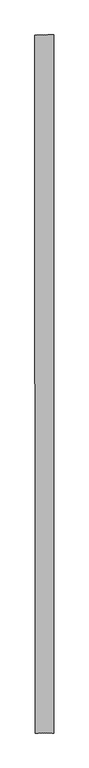
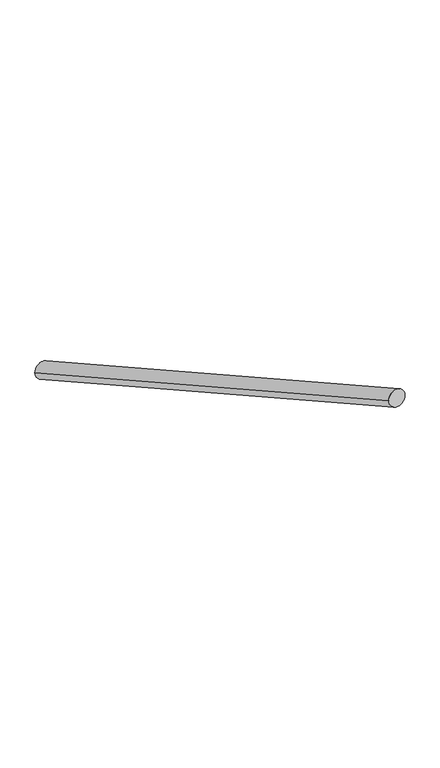
"""IFC4 building model written with IfcOpenShell, lengths in millimetres: railing geometry."""

from ifc_helpers import new_model, si_unit, frame, origin, place, context, project, spatial, ellipse_curve, source, transform, mapped, element, save
from ifc_brep_helpers import plane_surface, cylinder_surface, advanced_brep


def railing_fa008dca(model_context):
    return source(origin(), model_context, "Body", "AdvancedBrep", [
        advanced_brep(
        [(-53052.4330305, -13462.4104057, -2441.0), (-53012.4330391, -13462.3841685, -2441.0), (-53051.4491348, -14962.410083, -1603.9166667), (-53011.4491434, -14962.3838458, -1603.9166667)],
        [
            (0, 1, ellipse_curve(frame((-53032.4330348, -13462.3972871, -2441.0), z_axis=(-0.0006559304633786267, 0.9999997848775906, 0.0), x_axis=(0.0, 0.0, -1.0)), 22.9035019, 20.0)),
            (1, 0, ellipse_curve(frame((-53032.4330348, -13462.3972871, -2441.0), z_axis=(-0.0006559304633786267, 0.9999997848775906, 0.0), x_axis=(0.0, 0.0, -1.0)), 22.9035019, 20.0)),
            (2, 3, ellipse_curve(frame((-53031.4491391, -14962.3969644, -1603.9166667), z_axis=(0.0006559304633786267, -0.9999997848775906, 0.0), x_axis=(0.0, 0.0, -1.0)), 22.9035019, 20.0)),
            (3, 2, ellipse_curve(frame((-53031.4491391, -14962.3969644, -1603.9166667), z_axis=(0.0006559304633786267, -0.9999997848775906, 0.0), x_axis=(0.0, 0.0, -1.0)), 22.9035019, 20.0)),
            (0, 2),
            (3, 1),
        ],
        [
            plane_surface(frame((-53032.4330348, -13462.3972871, -2441.0), z_axis=(-0.0006559304633786267, 0.9999997848775906, 0.0), x_axis=(0.0, 0.0, -1.0))),
            plane_surface(frame((-53031.4491391, -14962.3969644, -1603.9166667), z_axis=(0.0006559304633786267, -0.9999997848775906, 0.0), x_axis=(0.0, 0.0, -1.0))),
            cylinder_surface(frame((-53032.4330348, -13462.3972871, -2441.0), z_axis=(-0.0005727774425260985, 0.8732287205544946, -0.4873102436074596), x_axis=(0.9999997848775904, 0.0006559304633786266, 0.0)), 20.0),
        ],
        [
            (0, [[1, 2]]),
            (1, [[3, 4]]),
            (2, [[-1, 5, -4, 6]]),
            (2, [[-2, -6, -3, -5]]),
        ],
    ),
    ])


if __name__ == "__main__":
    model = new_model("IFC4")
    model_context = context("Model", 3, world=origin())
    ifc_project = project(units=[si_unit("LENGTHUNIT", "METRE", prefix="MILLI")], contexts=[model_context])
    site = spatial("IfcSite", under=ifc_project)
    building = spatial("IfcBuilding", under=site)
    placement = place(None, origin())
    railing_shape = railing_fa008dca(model_context)
    element("IfcRailing", 1, at=placement, inside=building, context=model_context, shape_type="MappedRepresentation", body=[
        mapped(railing_shape, transform((0.0, 0.0, 0.0), x_axis=(1.0, 0.0, 0.0), y_axis=(0.0, 1.0, 0.0), z_axis=(0.0, 0.0, 1.0))),
    ])
    save(model, "model.ifc")
